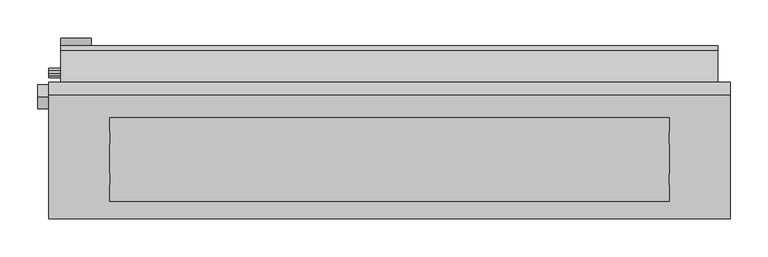
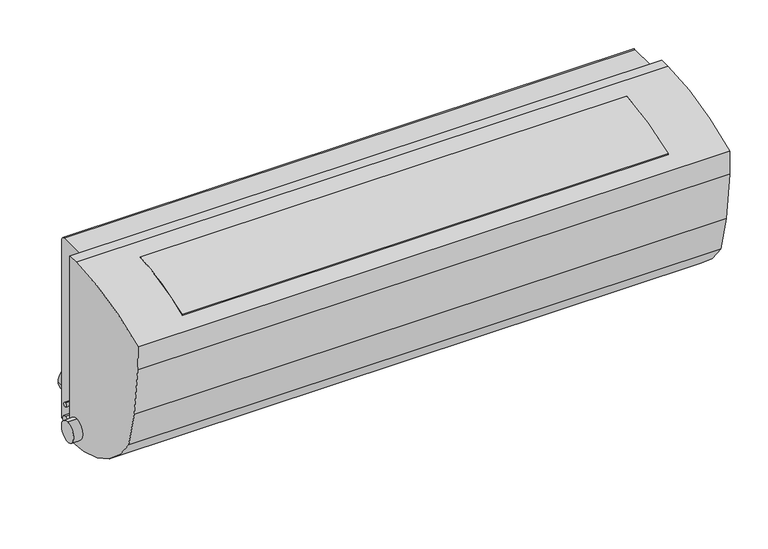
"""IFC4 building model written with IfcOpenShell, lengths in millimetres: proxy geometry."""

from ifc_helpers import new_model, si_unit, point, frame, frame_2d, origin, place, context, project, spatial, polyline, circle_curve, trimmed, segment, composite_curve, outline, extrude, source, transform, mapped, element, save
from ifc_brep_helpers import plane_surface, cylinder_surface, advanced_brep


def mechanical_equipment_19390e50(model_context):
    return source(origin(), model_context, "Body", "SolidModel", [
        extrude(outline(composite_curve([segment(trimmed(circle_curve(frame_2d((-64.5646875, 203.5039523)), 174.0493927), [point((-166.2028891, 62.2139417))], [point((-107.5076026, 34.8353507))], True, "CARTESIAN"), True, "CONTINUOUS"), segment(polyline([(-107.5076026, 34.8353507), (-107.5076026, 19.5140362)]), True, "CONTINUOUS"), segment(trimmed(circle_curve(frame_2d((-63.4294209, 195.9405521)), 181.8493927), [point((-107.5076026, 19.5140362))], [point((-166.201821, 45.9171026))], False, "CARTESIAN"), True, "CONTINUOUS"), segment(polyline([(-166.201821, 45.9171026), (-166.2028891, 62.2139417)]), True, "CONTINUOUS")], self_intersect=False)), frame((366.6660886, 0.0, 0.0), z_axis=(1.0, 0.0, 0.0), x_axis=(0.0, 1.0, 0.0)), (0.0, 0.0, 1.0), 736.9375),
        extrude(outline(composite_curve([segment(polyline([(-111.9491831, 293.7896466), (-111.9491831, 283.7562761)]), True, "CONTINUOUS"), segment(trimmed(circle_curve(frame_2d((-81.6121535, -82.295569)), 367.3068045), [point((-111.9491831, 283.7562761))], [point((-221.7707375, 257.2185838))], True, "CARTESIAN"), True, "CONTINUOUS"), segment(polyline([(-221.7707375, 257.2185838), (-221.7707375, 268.0128609)]), True, "CONTINUOUS"), segment(trimmed(circle_curve(frame_2d((-81.6121535, -82.295569)), 377.3068045), [point((-221.7707375, 268.0128609))], [point((-111.9491831, 293.7896466))], False, "CARTESIAN"), True, "CONTINUOUS")], self_intersect=False)), frame((366.6660886, 0.0, 0.0), z_axis=(1.0, 0.0, 0.0), x_axis=(0.0, 1.0, 0.0)), (0.0, 0.0, 1.0), 736.9375),
        advanced_brep(
        [(286.6660886, -81.6121535, 295.0112355), (286.6660886, -64.9733608, 295.0112355), (286.6660886, -64.9733608, 0.0800133), (286.6660886, -220.2995091, 86.0430497), (286.6660886, -234.6143347, 144.0591028), (286.6660886, -243.8652149, 220.9029016), (286.6660886, -244.5282929, 258.0259793), (1183.6035886, -81.6121535, 295.0112355), (1183.6035886, -244.5282929, 258.0259793), (1183.6035886, -243.8652149, 220.9029016), (1183.6035886, -234.6143347, 144.0591028), (1183.6035886, -220.2995091, 86.0430497), (1183.6035886, -64.9733608, 0.0800133), (1183.6035886, -64.9733608, 295.0112355), (1103.6035886, -166.2008228, 30.6875141), (1103.6035886, -107.5076026, 5.1594437), (366.6660886, -107.5076026, 5.1594437), (366.6660886, -166.2008228, 30.6875141), (1103.6035886, -111.9491831, 293.7896466), (1103.6035886, -221.7707375, 268.0128609), (366.6660886, -221.7707375, 268.0128609), (366.6660886, -111.9491831, 293.7896466), (1103.6035886, -111.9491831, 283.7562761), (1103.6035886, -221.7707375, 257.2185838), (1103.6035886, -166.2028891, 62.2139417), (1103.6035886, -107.5076026, 34.8353507), (366.6660886, -221.7707375, 257.2185838), (366.6660886, -111.9491831, 283.7562761), (366.6660886, -107.5076026, 34.8353507), (366.6660886, -166.2028891, 62.2139417)],
        [
            (0, 1),
            (1, 2),
            (2, 3, circle_curve(frame((286.6660886, -64.5646875, 184.1289523), z_axis=(-1.0, 0.0, 0.0), x_axis=(0.0, 1.0, 0.0)), 184.0493927)),
            (3, 4, circle_curve(frame((286.6660886, 317.4301928, 249.4960026), z_axis=(-1.0, 0.0, 0.0), x_axis=(0.0, 1.0, 0.0)), 562.0232203)),
            (4, 5, circle_curve(frame((286.6660886, 317.4301928, 249.4960026), z_axis=(-1.0, 0.0, 0.0), x_axis=(0.0, 1.0, 0.0)), 562.0232203)),
            (5, 6, circle_curve(frame((286.6660886, 317.4301928, 249.4960026), z_axis=(-1.0, 0.0, 0.0), x_axis=(0.0, 1.0, 0.0)), 562.0232203)),
            (6, 0, circle_curve(frame((286.6660886, -81.6121535, -82.295569), z_axis=(-1.0, 0.0, 0.0), x_axis=(0.0, 1.0, 0.0)), 377.3068045)),
            (7, 8, circle_curve(frame((1183.6035886, -81.6121535, -82.295569), z_axis=(1.0, 0.0, 0.0), x_axis=(0.0, 1.0, 0.0)), 377.3068045)),
            (8, 9, circle_curve(frame((1183.6035886, 317.4301928, 249.4960026), z_axis=(1.0, 0.0, 0.0), x_axis=(0.0, 1.0, 0.0)), 562.0232203)),
            (9, 10, circle_curve(frame((1183.6035886, 317.4301928, 249.4960026), z_axis=(1.0, 0.0, 0.0), x_axis=(0.0, 1.0, 0.0)), 562.0232203)),
            (10, 11, circle_curve(frame((1183.6035886, 317.4301928, 249.4960026), z_axis=(1.0, 0.0, 0.0), x_axis=(0.0, 1.0, 0.0)), 562.0232203)),
            (11, 12, circle_curve(frame((1183.6035886, -64.5646875, 184.1289523), z_axis=(1.0, 0.0, 0.0), x_axis=(0.0, 1.0, 0.0)), 184.0493927)),
            (12, 13),
            (13, 7),
            (0, 7),
            (13, 1),
            (12, 2),
            (11, 3),
            (14, 15, circle_curve(frame((1103.6035886, -64.5646875, 184.1289523), z_axis=(1.0, 0.0, 0.0), x_axis=(0.0, 1.0, 0.0)), 184.0493927)),
            (15, 16),
            (16, 17, circle_curve(frame((366.6660886, -64.5646875, 184.1289523), z_axis=(-1.0, 0.0, 0.0), x_axis=(0.0, 1.0, 0.0)), 184.0493927)),
            (17, 14),
            (10, 4),
            (9, 5),
            (8, 6),
            (18, 19, circle_curve(frame((1103.6035886, -81.6121535, -82.295569), z_axis=(1.0, 0.0, 0.0), x_axis=(0.0, 1.0, 0.0)), 377.3068045)),
            (19, 20),
            (20, 21, circle_curve(frame((366.6660886, -81.6121535, -82.295569), z_axis=(-1.0, 0.0, 0.0), x_axis=(0.0, 1.0, 0.0)), 377.3068045)),
            (21, 18),
            (18, 22),
            (22, 23, circle_curve(frame((1103.6035886, -81.6121535, -82.295569), z_axis=(1.0, 0.0, 0.0), x_axis=(0.0, 1.0, 0.0)), 367.3068045)),
            (23, 19),
            (14, 24),
            (24, 25, circle_curve(frame((1103.6035886, -64.5646875, 203.5039523), z_axis=(1.0, 0.0, 0.0), x_axis=(0.0, 1.0, 0.0)), 174.0493927)),
            (25, 15),
            (20, 26),
            (26, 27, circle_curve(frame((366.6660886, -81.6121535, -82.295569), z_axis=(-1.0, 0.0, 0.0), x_axis=(0.0, 1.0, 0.0)), 367.3068045)),
            (27, 21),
            (16, 28),
            (28, 29, circle_curve(frame((366.6660886, -64.5646875, 203.5039523), z_axis=(-1.0, 0.0, 0.0), x_axis=(0.0, 1.0, 0.0)), 174.0493927)),
            (29, 17),
            (23, 26),
            (22, 27),
            (25, 28),
            (24, 29),
        ],
        [
            plane_surface(frame((286.6660886, -64.9733608, 295.0112355), z_axis=(-1.0, 0.0, 0.0), x_axis=(0.0, 1.0, 0.0))),
            plane_surface(frame((1183.6035886, -64.9733608, 295.0112355), z_axis=(1.0, 0.0, 0.0), x_axis=(0.0, -1.0, 0.0))),
            plane_surface(frame((286.6660886, -81.6121535, 295.0112355), z_axis=(0.0, 0.0, 1.0), x_axis=(1.0, 0.0, 0.0))),
            plane_surface(frame((286.6660886, -64.9733608, 295.0112355), z_axis=(0.0, 1.0, 0.0), x_axis=(1.0, 0.0, 0.0))),
            cylinder_surface(frame((1183.6035886, -64.5646875, 184.1289523), z_axis=(-1.0, 0.0, 0.0), x_axis=(0.0, 1.0, 0.0)), 184.0493927),
            cylinder_surface(frame((1183.6035886, 317.4301928, 249.4960026), z_axis=(-1.0, 0.0, 0.0), x_axis=(0.0, 1.0, 0.0)), 562.0232203),
            cylinder_surface(frame((1183.6035886, -81.6121535, -82.295569), z_axis=(-1.0, 0.0, 0.0), x_axis=(0.0, 1.0, 0.0)), 377.3068045),
            plane_surface(frame((1103.6035886, 295.6946511, -82.295569), z_axis=(-1.0, 0.0, 0.0), x_axis=(0.0, 0.0, 1.0))),
            plane_surface(frame((366.6660886, 295.6946511, -82.295569), z_axis=(1.0, 0.0, 0.0), x_axis=(0.0, 0.0, -1.0))),
            plane_surface(frame((1103.6035886, -221.7707375, 268.0128609), z_axis=(0.0, 1.0, 0.0), x_axis=(-1.0, 0.0, 0.0))),
            cylinder_surface(frame((366.6660886, -81.6121535, -82.295569), z_axis=(-1.0, 0.0, 0.0), x_axis=(0.0, 1.0, 0.0)), 367.3068045),
            plane_surface(frame((1103.6035886, -111.9491831, 283.7562761), z_axis=(0.0, -1.0, 0.0), x_axis=(-1.0, 0.0, 0.0))),
            plane_surface(frame((1103.6035886, -107.5076026, 5.1594437), z_axis=(0.0, -1.0, 1.1625413809934934e-12), x_axis=(-1.0, 0.0, 0.0))),
            cylinder_surface(frame((735.1348386, -64.5646875, 203.5039523), z_axis=(-1.0, 0.0, 0.0), x_axis=(0.0, 1.0, 0.0)), 174.0493927),
            plane_surface(frame((1103.6035886, -166.2028891, 62.2139417), z_axis=(0.0, 0.9999999978521228, 6.554200540985845e-05), x_axis=(-1.0, 0.0, 0.0))),
        ],
        [
            (0, [[1, 2, 3, 4, 5, 6, 7]]),
            (1, [[8, 9, 10, 11, 12, 13, 14]]),
            (2, [[-1, 15, -14, 16]]),
            (3, [[-2, -16, -13, 17]]),
            (4, [[-3, -17, -12, 18], [19, 20, 21, 22]]),
            (5, [[-4, -18, -11, 23]]),
            (5, [[-5, -23, -10, 24]]),
            (5, [[-6, -24, -9, 25]]),
            (6, [[-7, -25, -8, -15], [26, 27, 28, 29]]),
            (7, [[30, 31, 32, -26]]),
            (7, [[33, 34, 35, -19]]),
            (8, [[36, 37, 38, -28]]),
            (8, [[39, 40, 41, -21]]),
            (9, [[-32, 42, -36, -27]]),
            (10, [[-31, 43, -37, -42]]),
            (11, [[-30, -29, -38, -43]]),
            (12, [[-35, 44, -39, -20]]),
            (13, [[-34, 45, -40, -44]]),
            (14, [[-33, -22, -41, -45]]),
        ],
    ),
        extrude(outline(composite_curve([segment(trimmed(circle_curve(frame_2d((-22.9593292, 285.8483359)), 6.35), [point((-22.9593292, 292.1983359))], [point((-16.6093292, 285.8483359))], False, "CARTESIAN"), True, "CONTINUOUS"), segment(polyline([(-16.6093292, 285.8483359), (-16.6093292, 0.0), (-64.9733608, 0.0), (-64.9733608, 292.1983359), (-22.9593292, 292.1983359)]), True, "CONTINUOUS")], self_intersect=False)), frame((302.6660886, 0.0, 0.0), z_axis=(1.0, 0.0, 0.0), x_axis=(0.0, 1.0, 0.0)), (0.0, 0.0, 1.0), 864.9375),
        extrude(outline(polyline([(366.6660886, -142.2451026), (366.6660886, -83.5076026), (1103.6035886, -83.5076026), (1103.6035886, -142.2451026), (366.6660886, -142.2451026)])), frame((0.0, 0.0, 30.6875141), z_axis=(0.0, 0.0, 1.0), x_axis=(1.0, 0.0, 0.0)), (0.0, 0.0, 1.0), 55.3555356),
        extrude(outline(composite_curve([segment(trimmed(circle_curve(frame_2d((52.3418493, 322.6660886)), 20.0), [point((52.3418493, 302.6660886))], [point((52.3418493, 342.6660886))], False, "CARTESIAN"), True, "CONTINUOUS"), segment(trimmed(circle_curve(frame_2d((52.3418493, 322.6660886)), 20.0), [point((52.3418493, 342.6660886))], [point((52.3418493, 302.6660886))], False, "CARTESIAN"), True, "CONTINUOUS")], self_intersect=False)), frame((0.0, -16.6093292, 0.0), z_axis=(0.0, 1.0, 0.0), x_axis=(0.0, 0.0, 1.0)), (0.0, 0.0, 1.0), 9.9453899),
        extrude(outline(polyline([(366.6067136, -221.7707375), (366.6067136, -111.9355812), (1103.6035886, -111.9355812), (1103.6035886, -221.7707375), (366.6067136, -221.7707375)])), frame((0.0, 0.0, 258.0), z_axis=(0.0, 0.0, 1.0), x_axis=(1.0, 0.0, 0.0)), (0.0, 0.0, 1.0), 10.0128609),
        extrude(outline(composite_curve([segment(trimmed(circle_curve(frame_2d((-52.9103877, 48.9480778)), 3.175), [point((-52.9103877, 52.1230778))], [point((-52.9103877, 45.7730778))], False, "CARTESIAN"), True, "CONTINUOUS"), segment(trimmed(circle_curve(frame_2d((-52.9103877, 48.9480778)), 3.175), [point((-52.9103877, 45.7730778))], [point((-52.9103877, 52.1230778))], False, "CARTESIAN"), True, "CONTINUOUS")], self_intersect=False)), frame((286.6660886, 0.0, 0.0), z_axis=(1.0, 0.0, 0.0), x_axis=(0.0, 1.0, 0.0)), (0.0, 0.0, 1.0), 16.0),
        extrude(outline(composite_curve([segment(trimmed(circle_curve(frame_2d((-84.0214258, 29.5600396)), 15.875), [point((-84.0214258, 45.4350396))], [point((-84.0214258, 13.6850396))], False, "CARTESIAN"), True, "CONTINUOUS"), segment(trimmed(circle_curve(frame_2d((-84.0214258, 29.5600396)), 15.875), [point((-84.0214258, 13.6850396))], [point((-84.0214258, 45.4350396))], False, "CARTESIAN"), True, "CONTINUOUS")], self_intersect=False)), frame((272.4157617, 0.0, 0.0), z_axis=(1.0, 0.0, 0.0), x_axis=(0.0, 1.0, 0.0)), (0.0, 0.0, 1.0), 14.250327),
        extrude(outline(composite_curve([segment(trimmed(circle_curve(frame_2d((-52.9103877, 24.1494243)), 6.35), [point((-52.9103877, 30.4994243))], [point((-52.9103877, 17.7994243))], False, "CARTESIAN"), True, "CONTINUOUS"), segment(trimmed(circle_curve(frame_2d((-52.9103877, 24.1494243)), 6.35), [point((-52.9103877, 17.7994243))], [point((-52.9103877, 30.4994243))], False, "CARTESIAN"), True, "CONTINUOUS")], self_intersect=False)), frame((286.6660886, 0.0, 0.0), z_axis=(1.0, 0.0, 0.0), x_axis=(0.0, 1.0, 0.0)), (0.0, 0.0, 1.0), 16.0),
    ])


if __name__ == "__main__":
    model = new_model("IFC4")
    model_context = context("Model", 3, world=origin())
    ifc_project = project(units=[si_unit("LENGTHUNIT", "METRE", prefix="MILLI")], contexts=[model_context])
    site = spatial("IfcSite", under=ifc_project)
    building = spatial("IfcBuilding", under=site)
    placement = place(None, origin())
    mechanical_equipment_shape = mechanical_equipment_19390e50(model_context)
    element("IfcBuildingElementProxy", 1, Name="Mechanical Equipment", at=placement, inside=building, context=model_context, shape_type="MappedRepresentation", body=[
        mapped(mechanical_equipment_shape, transform((0.0, 0.0, 0.0), x_axis=(1.0, 0.0, 0.0), y_axis=(0.0, 1.0, 0.0), z_axis=(0.0, 0.0, 1.0))),
    ])
    save(model, "model.ifc")
